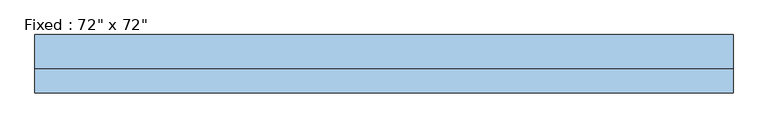
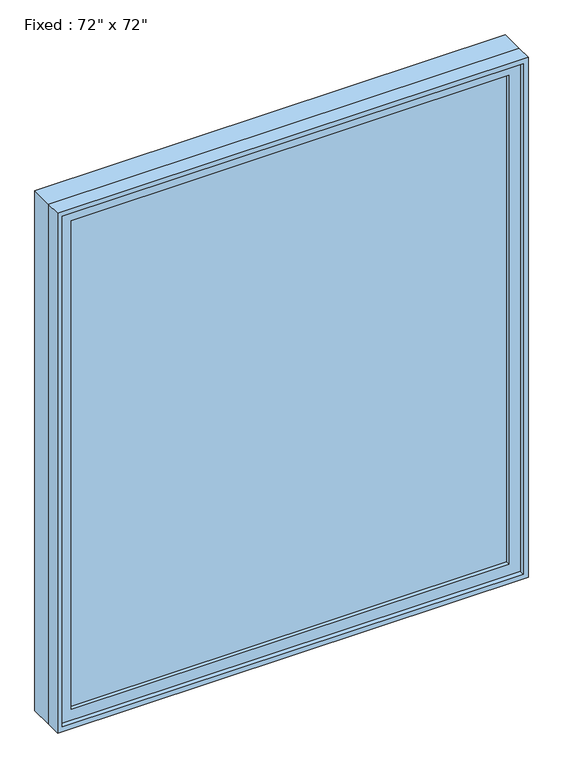
"""IFC4 building model written with IfcOpenShell, lengths in millimetres: window geometry."""

from ifc_helpers import new_model, si_unit, frame, origin, place, context, project, spatial, polyline, outline, extrude, source, transform, mapped, element, save


def window_44b72fad(model_context):
    return source(origin(), model_context, "Body", "SweptSolid", [
        extrude(outline(polyline([(812.8, -28.575), (812.8, -41.275), (-889.0, -41.275), (-889.0, -28.575), (812.8, -28.575)])), frame((0.0, 0.0, 368.3), z_axis=(0.0, 0.0, 1.0), x_axis=(1.0, 0.0, 0.0)), (0.0, 0.0, 1.0), 2006.6),
        extrude(outline(polyline([(2419.35, -933.45), (323.85, -933.45), (323.85, 857.25), (2419.35, 857.25), (2419.35, -933.45)]), holes=[polyline([(2374.9, -889.0), (2374.9, 812.8), (368.3, 812.8), (368.3, -889.0), (2374.9, -889.0)])]), frame((0.0, -57.15, 0.0), z_axis=(0.0, 1.0, 0.0), x_axis=(0.0, 0.0, 1.0)), (0.0, 0.0, 1.0), 44.45),
        extrude(outline(polyline([(2438.4, -952.5), (304.8, -952.5), (304.8, 876.3), (2438.4, 876.3), (2438.4, -952.5)]), holes=[polyline([(2406.65, -920.75), (2406.65, 844.55), (336.55, 844.55), (336.55, -920.75), (2406.65, -920.75)])]), frame((0.0, -12.7, 0.0), z_axis=(0.0, 1.0, 0.0), x_axis=(0.0, 0.0, 1.0)), (0.0, 0.0, 1.0), 88.9),
        extrude(outline(polyline([(2438.4, 876.3), (2438.4, -952.5), (304.8, -952.5), (304.8, 876.3), (2438.4, 876.3)]), holes=[polyline([(2419.35, 857.25), (323.85, 857.25), (323.85, -933.45), (2419.35, -933.45), (2419.35, 857.25)])]), frame((0.0, -76.2, 0.0), z_axis=(0.0, 1.0, 0.0), x_axis=(0.0, 0.0, 1.0)), (0.0, 0.0, 1.0), 63.5),
    ])


if __name__ == "__main__":
    model = new_model("IFC4")
    model_context = context("Model", 3, world=origin())
    ifc_project = project(units=[si_unit("LENGTHUNIT", "METRE", prefix="MILLI")], contexts=[model_context])
    site = spatial("IfcSite", under=ifc_project)
    building = spatial("IfcBuilding", under=site)
    placement = place(None, origin())
    window_shape = window_44b72fad(model_context)
    element("IfcWindow", 1, ObjectType="Fixed : 72\" x 72\"", at=placement, inside=building, context=model_context, shape_type="MappedRepresentation", body=[
        mapped(window_shape, transform((0.0, 0.0, 0.0), x_axis=(1.0, 0.0, 0.0), y_axis=(0.0, 1.0, 0.0), z_axis=(0.0, 0.0, 1.0))),
    ])
    save(model, "model.ifc")
